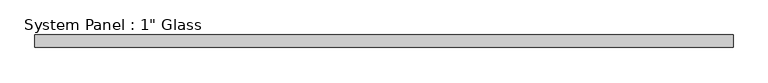
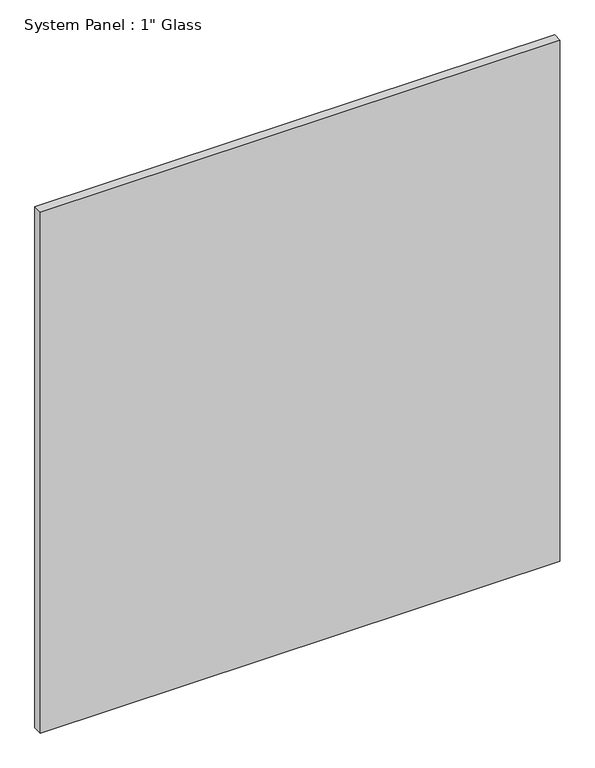
"""IFC4 building model written with IfcOpenShell, lengths in millimetres: plate geometry."""

from ifc_helpers import new_model, si_unit, origin, origin_with_axes, place, context, project, spatial, polyline, outline, extrude, source, transform, mapped, element, save


def plate_3feda613(model_context):
    return source(origin(), model_context, "Body", "SweptSolid", [
        extrude(outline(polyline([(704.2720691, -12.7), (-704.2720691, -12.7), (-704.2720691, 12.7), (704.2720691, 12.7), (704.2720691, -12.7)])), origin_with_axes(), (0.0, 0.0, 1.0), 1492.2517704),
    ])


if __name__ == "__main__":
    model = new_model("IFC4")
    model_context = context("Model", 3, world=origin())
    ifc_project = project(units=[si_unit("LENGTHUNIT", "METRE", prefix="MILLI")], contexts=[model_context])
    site = spatial("IfcSite", under=ifc_project)
    building = spatial("IfcBuilding", under=site)
    placement = place(None, origin())
    plate_shape = plate_3feda613(model_context)
    element("IfcPlate", 1, ObjectType="System Panel : 1\" Glass", at=placement, inside=building, context=model_context, shape_type="MappedRepresentation", body=[
        mapped(plate_shape, transform((0.0, 0.0, 0.0), x_axis=(1.0, 0.0, 0.0), y_axis=(0.0, 1.0, 0.0), z_axis=(0.0, 0.0, 1.0))),
    ])
    save(model, "model.ifc")
